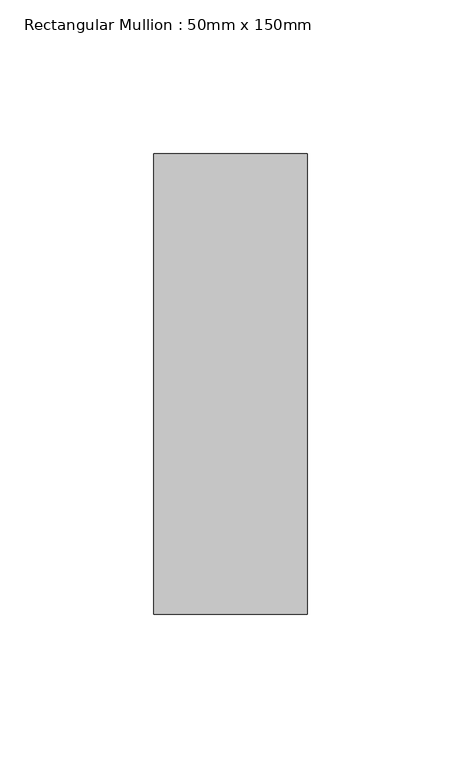
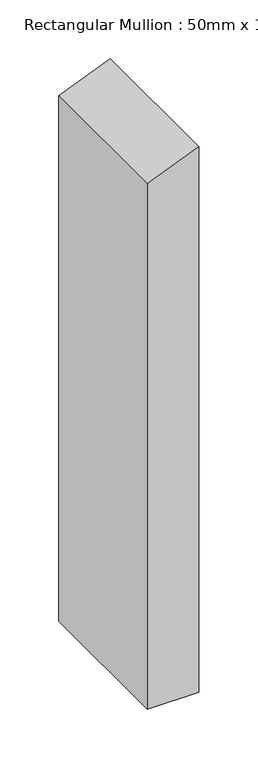
"""IFC4 building model written with IfcOpenShell, lengths in millimetres: member geometry, Rectangular Mullion : 50mm x 150mm."""

from ifc_helpers import new_model, si_unit, frame, origin, place, context, project, spatial, polyline, outline, extrude, source, transform, mapped, element, save


def rectangular_mullion_50mm_x_150mm_8826da93(model_context):
    return source(origin(), model_context, "Body", "SweptSolid", [
        extrude(outline(polyline([(0.0, 0.0), (-20.7106781, -50.0), (-564.2640687, -50.0), (-564.2640687, 0.0), (0.0, 0.0)])), frame((0.0, -75.0, 0.0), z_axis=(0.0, 1.0, 0.0), x_axis=(0.0, 0.0, 1.0)), (0.0, 0.0, 1.0), 150.0),
    ])


if __name__ == "__main__":
    model = new_model("IFC4")
    model_context = context("Model", 3, world=origin())
    ifc_project = project(units=[si_unit("LENGTHUNIT", "METRE", prefix="MILLI")], contexts=[model_context])
    site = spatial("IfcSite", under=ifc_project)
    building = spatial("IfcBuilding", under=site)
    placement = place(None, origin())
    rectangular_mullion_50mm_x_150mm_shape = rectangular_mullion_50mm_x_150mm_8826da93(model_context)
    element("IfcMember", 1, ObjectType="Rectangular Mullion : 50mm x 150mm", at=placement, inside=building, context=model_context, shape_type="MappedRepresentation", body=[
        mapped(rectangular_mullion_50mm_x_150mm_shape, transform((0.0, 0.0, 0.0), x_axis=(1.0, 0.0, 0.0), y_axis=(0.0, 1.0, 0.0), z_axis=(0.0, 0.0, 1.0))),
    ])
    save(model, "model.ifc")
